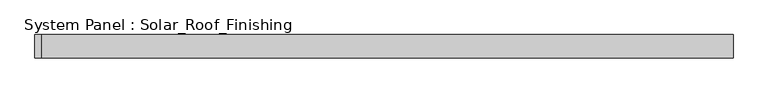
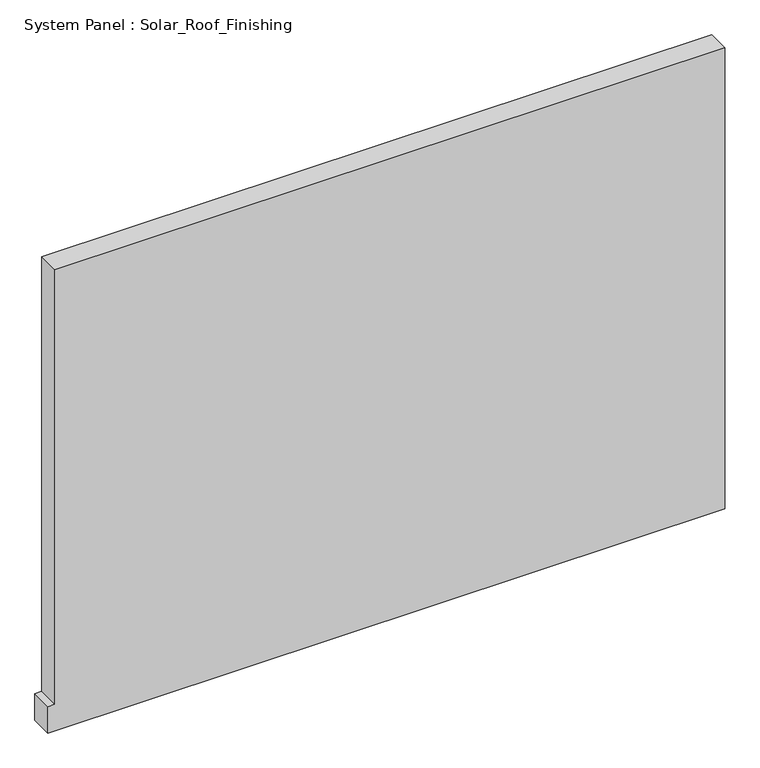
"""IFC4 building model written with IfcOpenShell, lengths in millimetres: plate geometry, System Panel : Solar_Roof_Finishing."""

from ifc_helpers import new_model, si_unit, frame, origin, place, context, project, spatial, polyline, outline, extrude, source, transform, mapped, element, save


def system_panel_solar_roof_finishing_f7037eb3(model_context):
    return source(origin(), model_context, "Body", "SweptSolid", [
        extrude(outline(polyline([(0.0, -895.5), (0.0, 895.5), (1290.1339302, 895.5), (1290.1339302, -877.5), (74.2544309, -877.5), (74.2544309, -895.5), (0.0, -895.5)])), frame((0.0, -10.5, 0.0), z_axis=(0.0, 1.0, 0.0), x_axis=(0.0, 0.0, 1.0)), (0.0, 0.0, 1.0), 60.0),
    ])


if __name__ == "__main__":
    model = new_model("IFC4")
    model_context = context("Model", 3, world=origin())
    ifc_project = project(units=[si_unit("LENGTHUNIT", "METRE", prefix="MILLI")], contexts=[model_context])
    site = spatial("IfcSite", under=ifc_project)
    building = spatial("IfcBuilding", under=site)
    placement = place(None, origin())
    system_panel_solar_roof_finishing_shape = system_panel_solar_roof_finishing_f7037eb3(model_context)
    element("IfcPlate", 1, ObjectType="System Panel : Solar_Roof_Finishing", at=placement, inside=building, context=model_context, shape_type="MappedRepresentation", body=[
        mapped(system_panel_solar_roof_finishing_shape, transform((0.0, 0.0, 0.0), x_axis=(1.0, 0.0, 0.0), y_axis=(0.0, 1.0, 0.0), z_axis=(0.0, 0.0, 1.0))),
    ])
    save(model, "model.ifc")
